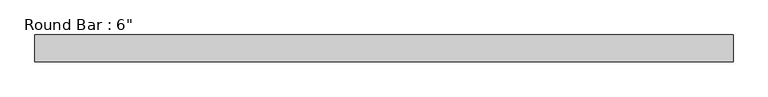
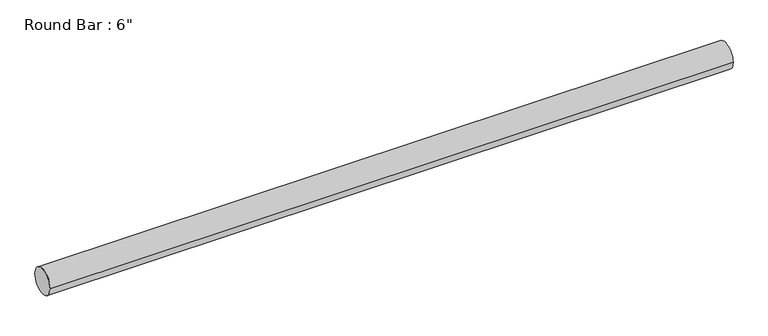
"""IFC4 building model written with IfcOpenShell, lengths in millimetres: beam geometry."""

from ifc_helpers import new_model, si_unit, point, frame, origin, origin_2d, place, context, project, spatial, circle_curve, trimmed, segment, composite_curve, outline, extrude, source, transform, mapped, element, save


def beam_d63e1c5c(model_context):
    return source(origin(), model_context, "Body", "SweptSolid", [
        extrude(outline(composite_curve([segment(trimmed(circle_curve(origin_2d(), 76.2), [point((76.2, 0.0))], [point((-76.2, 0.0))], False, "CARTESIAN"), True, "CONTINUOUS"), segment(trimmed(circle_curve(origin_2d(), 76.2), [point((-76.2, 0.0))], [point((76.2, 0.0))], False, "CARTESIAN"), True, "CONTINUOUS")], self_intersect=False)), frame((-2031.2589666, 0.0, 0.0), z_axis=(1.0, 0.0, 0.0), x_axis=(0.0, 1.0, 0.0)), (0.0, 0.0, 1.0), 3965.0137336),
    ])


if __name__ == "__main__":
    model = new_model("IFC4")
    model_context = context("Model", 3, world=origin())
    ifc_project = project(units=[si_unit("LENGTHUNIT", "METRE", prefix="MILLI")], contexts=[model_context])
    site = spatial("IfcSite", under=ifc_project)
    building = spatial("IfcBuilding", under=site)
    placement = place(None, origin())
    beam_shape = beam_d63e1c5c(model_context)
    element("IfcBeam", 1, ObjectType="Round Bar : 6\"", at=placement, inside=building, context=model_context, shape_type="MappedRepresentation", body=[
        mapped(beam_shape, transform((0.0, 0.0, 0.0), x_axis=(1.0, 0.0, 0.0), y_axis=(0.0, 1.0, 0.0), z_axis=(0.0, 0.0, 1.0))),
    ])
    save(model, "model.ifc")
